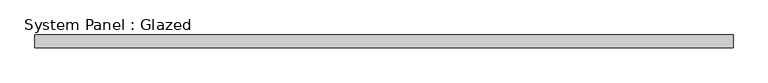
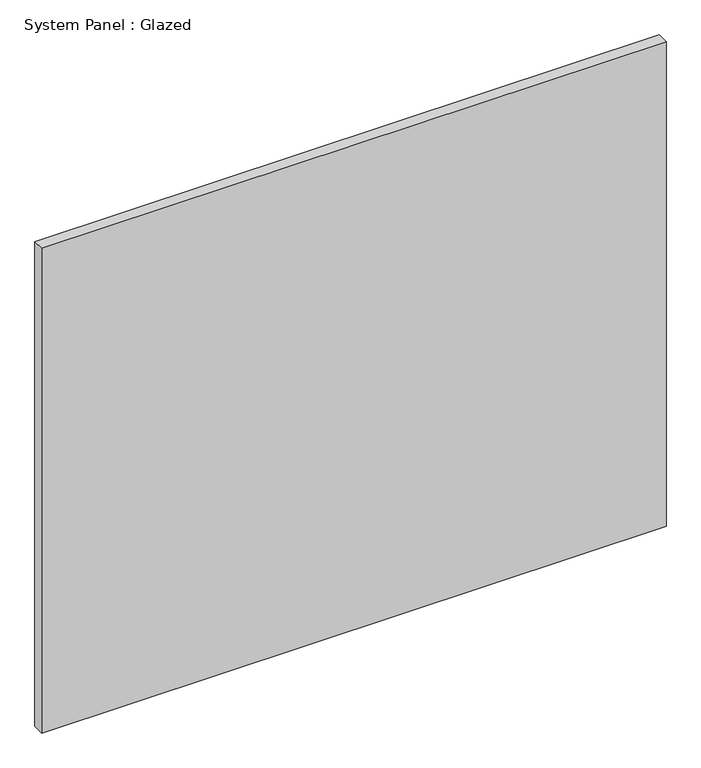
"""IFC4 building model written with IfcOpenShell, lengths in millimetres: plate geometry, System Panel : Glazed."""

from ifc_helpers import new_model, si_unit, origin, origin_with_axes, place, context, project, spatial, polyline, outline, extrude, source, transform, mapped, element, save


def system_panel_glazed_a5b851e6(model_context):
    return source(origin(), model_context, "Body", "SweptSolid", [
        extrude(outline(polyline([(684.7416668, 19.05), (-684.7416668, 19.05), (-684.7416668, 44.45), (684.7416668, 44.45), (684.7416668, 19.05)])), origin_with_axes(), (0.0, 0.0, 1.0), 1123.95),
    ])


if __name__ == "__main__":
    model = new_model("IFC4")
    model_context = context("Model", 3, world=origin())
    ifc_project = project(units=[si_unit("LENGTHUNIT", "METRE", prefix="MILLI")], contexts=[model_context])
    site = spatial("IfcSite", under=ifc_project)
    building = spatial("IfcBuilding", under=site)
    placement = place(None, origin())
    system_panel_glazed_shape = system_panel_glazed_a5b851e6(model_context)
    element("IfcPlate", 1, ObjectType="System Panel : Glazed", at=placement, inside=building, context=model_context, shape_type="MappedRepresentation", body=[
        mapped(system_panel_glazed_shape, transform((0.0, 0.0, 0.0), x_axis=(1.0, 0.0, 0.0), y_axis=(0.0, 1.0, 0.0), z_axis=(0.0, 0.0, 1.0))),
    ])
    save(model, "model.ifc")
